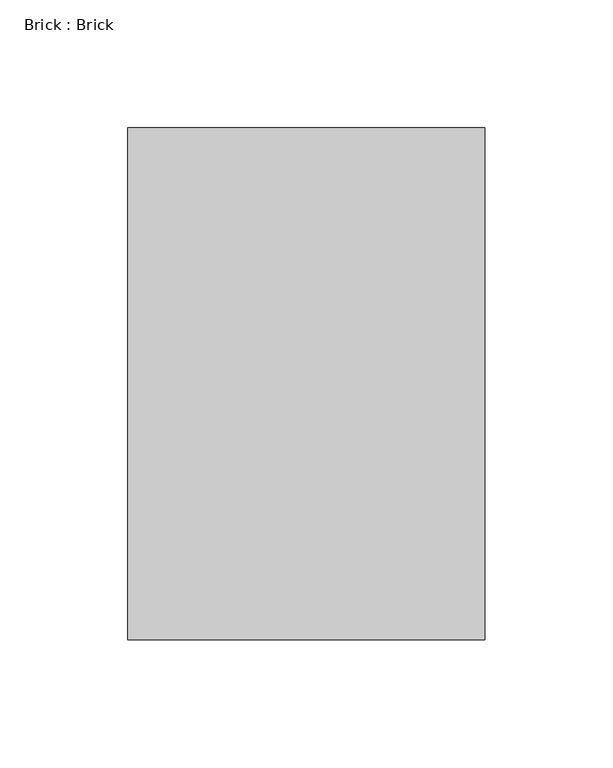
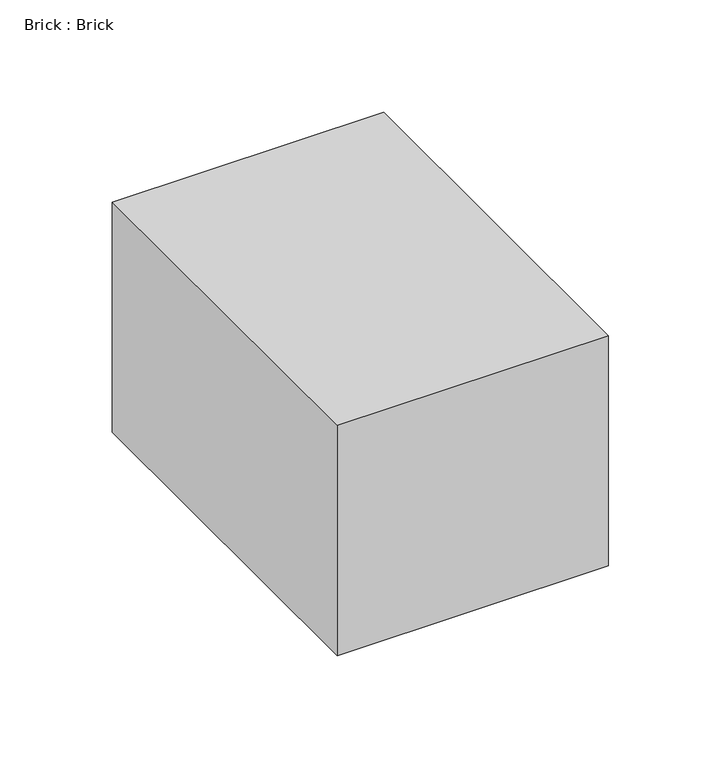
"""IFC4 building model written with IfcOpenShell, lengths in millimetres: proxy geometry, Brick : Brick."""

from ifc_helpers import new_model, si_unit, frame, origin, place, context, project, spatial, polyline, outline, extrude, source, transform, mapped, element, save


def brick_brick_6b54695e(model_context):
    return source(origin(), model_context, "Body", "SweptSolid", [
        extrude(outline(polyline([(69.65, 100.0), (69.65, -100.0), (-69.65, -100.0), (-69.65, 100.0), (69.65, 100.0)])), frame((0.0, 0.0, -62.5), z_axis=(0.0, 0.0, 1.0), x_axis=(1.0, 0.0, 0.0)), (0.0, 0.0, 1.0), 125.0),
    ])


if __name__ == "__main__":
    model = new_model("IFC4")
    model_context = context("Model", 3, world=origin())
    ifc_project = project(units=[si_unit("LENGTHUNIT", "METRE", prefix="MILLI")], contexts=[model_context])
    site = spatial("IfcSite", under=ifc_project)
    building = spatial("IfcBuilding", under=site)
    placement = place(None, origin())
    brick_brick_shape = brick_brick_6b54695e(model_context)
    element("IfcBuildingElementProxy", 1, Name="Brick : Brick", ObjectType="Brick : Brick", at=placement, inside=building, context=model_context, shape_type="MappedRepresentation", body=[
        mapped(brick_brick_shape, transform((0.0, 0.0, 0.0), x_axis=(1.0, 0.0, 0.0), y_axis=(0.0, 1.0, 0.0), z_axis=(0.0, 0.0, 1.0))),
    ])
    save(model, "model.ifc")
